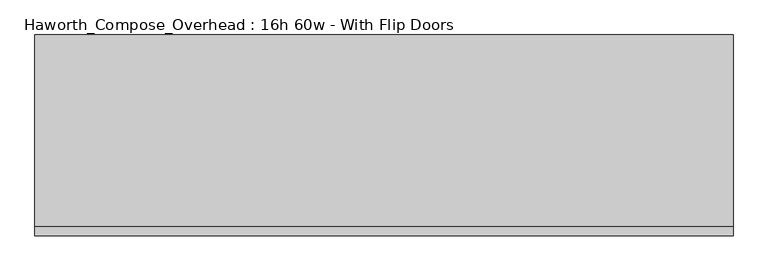
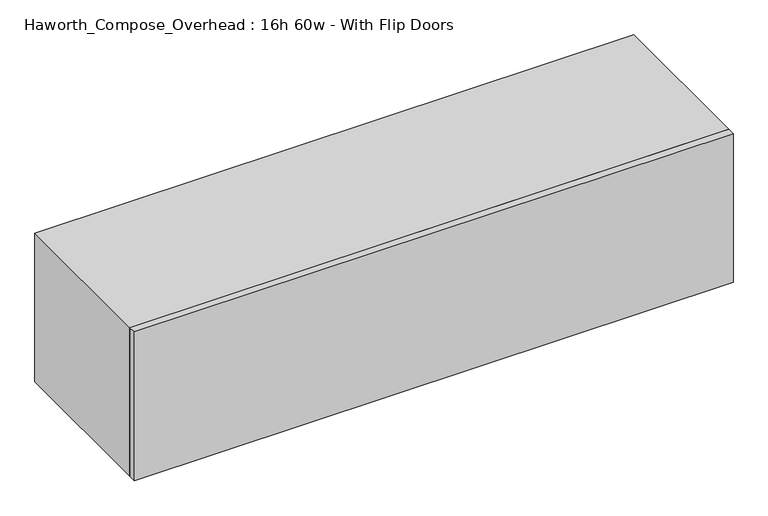
"""IFC4 building model written with IfcOpenShell, lengths in millimetres: furniture geometry, Haworth_Compose_Overhead : 16h 60w - With Flip Doors."""

import ifcopenshell
import ifcopenshell.guid

model = None  # the IFC model being written
_history = None  # IfcOwnerHistory: only IFC2X3 demands one
_inside = {}  # id of a spatial element -> (the spatial element, [elements in it])
_under = {}  # id of a project, library or spatial element -> (it, [spatial elements below it])
_declared = {}  # id of a project -> (the project, [libraries it declares])
_typed = {}  # id of a type object -> (the type object, [elements of that type])
_made_of = {}  # id of a material, layer set ... -> (it, [elements and type objects made of it])


def new_model(schema):
    """Start an empty IFC model of exactly this schema.

    Asked for "IFC4X3", IfcOpenShell would pick the latest addendum, in which some entities
    have other attributes; the version numbers below select the first issue.
    IFC2X3 requires an IfcOwnerHistory on every rooted entity: one is made here for all.
    """
    global model, _history
    if schema == "IFC4X3":
        model = ifcopenshell.file(schema_version=(4, 3, 0, 0))
    else:
        model = ifcopenshell.file(schema=schema)
    _inside.clear()
    _under.clear()
    _declared.clear()
    _typed.clear()
    _made_of.clear()
    _history = None
    if model.schema == "IFC2X3":
        org = make("IfcOrganization", Name="unknown")
        user = make(
            "IfcPersonAndOrganization",
            ThePerson=make("IfcPerson", FamilyName="unknown"),
            TheOrganization=org,
        )
        app = make(
            "IfcApplication",
            ApplicationDeveloper=org,
            Version="unknown",
            ApplicationFullName="unknown",
            ApplicationIdentifier="unknown",
        )
        _history = make(
            "IfcOwnerHistory",
            OwningUser=user,
            OwningApplication=app,
            ChangeAction="ADDED",
            CreationDate=0,
        )
    return model


def make(cls, **values):
    """One entity of the class cls with the attributes given. An attribute that is None is left unset."""
    return model.create_entity(
        cls, **{name: value for name, value in values.items() if value is not None}
    )


def rooted(cls, **values):
    """An entity with a GlobalId (a new one), such as an element, a storey or a relation."""
    return make(cls, GlobalId=ifcopenshell.guid.new(), OwnerHistory=_history, **values)


def si_unit(unit_type, name, prefix=None):
    """IfcSIUnit, for example si_unit("LENGTHUNIT", "METRE", prefix="MILLI")."""
    return make("IfcSIUnit", UnitType=unit_type, Prefix=prefix, Name=name)


def assignment(units):
    """IfcUnitAssignment: the units of a project."""
    return None if units is None else make("IfcUnitAssignment", Units=units)


def point(xyz):
    """IfcCartesianPoint."""
    return None if xyz is None else make("IfcCartesianPoint", Coordinates=xyz)


def direction(xyz):
    """IfcDirection."""
    return None if xyz is None else make("IfcDirection", DirectionRatios=xyz)


def frame(location, z_axis=None, x_axis=None):
    """IfcAxis2Placement3D, a coordinate frame: its origin and axes. An axis left out is left unset."""
    return make(
        "IfcAxis2Placement3D",
        Location=point(location),
        Axis=direction(z_axis),
        RefDirection=direction(x_axis),
    )


def origin():
    """The frame at (0, 0, 0) with its axes left unset."""
    return frame((0.0, 0.0, 0.0))


def place(relative_to, where):
    """IfcLocalPlacement: puts the frame where relative to a parent placement (None: the world)."""
    return make(
        "IfcLocalPlacement", PlacementRelTo=relative_to, RelativePlacement=where
    )


def context(
    kind, dimensions, precision=None, world=None, true_north=None, identifier=None
):
    """IfcGeometricRepresentationContext, for example the 3D "Model" context."""
    return make(
        "IfcGeometricRepresentationContext",
        ContextIdentifier=identifier,
        ContextType=kind,
        CoordinateSpaceDimension=dimensions,
        Precision=precision,
        WorldCoordinateSystem=world,
        TrueNorth=true_north,
    )


def project(units=None, contexts=None):
    """IfcProject with its units and contexts."""
    return rooted(
        "IfcProject",
        Name="project",
        RepresentationContexts=contexts,
        UnitsInContext=assignment(units),
    )


def spatial(cls, under=None, at=None, **own):
    """A site, building, storey or space (cls), placed at a placement, below another one or the project."""
    s = rooted(cls, ObjectPlacement=at, **own)
    if under is not None:
        _under.setdefault(under.id(), (under, []))[1].append(s)
    return s


def polyline(points):
    """IfcPolyline through the points."""
    return make("IfcPolyline", Points=[point(p) for p in points])


def outline(outer, holes=None, kind="AREA"):
    """IfcArbitraryClosedProfileDef: a profile drawn as a closed curve; with holes, ...WithVoids."""
    if holes is None:
        return make("IfcArbitraryClosedProfileDef", ProfileType=kind, OuterCurve=outer)
    return make(
        "IfcArbitraryProfileDefWithVoids",
        ProfileType=kind,
        OuterCurve=outer,
        InnerCurves=holes,
    )


def extrude(swept, where, along, depth):
    """IfcExtrudedAreaSolid: the profile swept, set in the frame where, extruded along a direction by depth."""
    return make(
        "IfcExtrudedAreaSolid",
        SweptArea=swept,
        Position=where,
        ExtrudedDirection=direction(along),
        Depth=depth,
    )


def shape(context_of_items, identifier, shape_type, items):
    """IfcShapeRepresentation: the items that make up one representation, for example the "Body"."""
    return make(
        "IfcShapeRepresentation",
        ContextOfItems=context_of_items,
        RepresentationIdentifier=identifier,
        RepresentationType=shape_type,
        Items=items,
    )


def source(mapping_origin, context_of_items, identifier, shape_type, items):
    """IfcRepresentationMap: a shape defined once, which mapped items show again and again."""
    return make(
        "IfcRepresentationMap",
        MappingOrigin=mapping_origin,
        MappedRepresentation=shape(context_of_items, identifier, shape_type, items),
    )


def transform(
    local_origin,
    x_axis=None,
    y_axis=None,
    z_axis=None,
    scale=None,
    scale2=None,
    scale3=None,
    uniform=True,
):
    """IfcCartesianTransformationOperator3D, or its non-uniform kind. x_axis, y_axis, z_axis: its Axis1, 2, 3."""
    if uniform:
        return make(
            "IfcCartesianTransformationOperator3D",
            Axis1=direction(x_axis),
            Axis2=direction(y_axis),
            LocalOrigin=point(local_origin),
            Scale=scale,
            Axis3=direction(z_axis),
        )
    return make(
        "IfcCartesianTransformationOperator3DnonUniform",
        Axis1=direction(x_axis),
        Axis2=direction(y_axis),
        LocalOrigin=point(local_origin),
        Scale=scale,
        Axis3=direction(z_axis),
        Scale2=scale2,
        Scale3=scale3,
    )


def mapped(mapping_source, mapping_target):
    """IfcMappedItem: shows the shape of a source again, moved by a transform."""
    return make(
        "IfcMappedItem", MappingSource=mapping_source, MappingTarget=mapping_target
    )


def made_of(thing, what):
    """Note that an element or type object is made of a material, layer set ...; save() writes the relation."""
    if what is not None:
        _made_of.setdefault(what.id(), (what, []))[1].append(thing)
    return thing


def element(
    cls,
    number,
    at=None,
    inside=None,
    cuts=None,
    type_object=None,
    material=None,
    context=None,
    identifier="Body",
    shape_type=None,
    held_by="IfcProductDefinitionShape",
    body=None,
    shapes=None,
    **own,
):
    """One element of the class cls, such as IfcWall. Its Tag is "e" and its number.

    at: its placement. inside: the storey or other place that contains it. cuts: it is an
    opening in that element (IfcRelVoidsElement). A single representation is given by context,
    identifier, shape_type and body (its items); several are given by shapes. held_by: the class
    of the entity that holds the representations. save() writes the other relations.
    """
    e = rooted(cls, Tag="e%d" % number, ObjectPlacement=at, **own)
    if body is not None:
        shapes = [shape(context, identifier, shape_type, body)]
    if shapes is not None:
        e.Representation = make(held_by, Representations=shapes)
    if inside is not None:
        _inside.setdefault(inside.id(), (inside, []))[1].append(e)
    if cuts is not None:
        rooted(
            "IfcRelVoidsElement", RelatingBuildingElement=cuts, RelatedOpeningElement=e
        )
    if type_object is not None:
        _typed.setdefault(type_object.id(), (type_object, []))[1].append(e)
    return made_of(e, material)


def aggregate(whole, parts):
    """IfcRelAggregates: a whole, such as a stair, and the parts it consists of."""
    return rooted("IfcRelAggregates", RelatingObject=whole, RelatedObjects=parts)


def save(model, path):
    """Write the relations noted so far, then the file.

    IfcRelAggregates (storeys below a building ...), IfcRelContainedInSpatialStructure (elements
    in a storey), IfcRelDefinesByType, IfcRelAssociatesMaterial and IfcRelDeclares: one each for
    every whole, place, type object, material and project.
    """
    for whole, parts in _under.values():
        aggregate(whole, parts)
    for where, things in _inside.values():
        rooted(
            "IfcRelContainedInSpatialStructure",
            RelatedElements=things,
            RelatingStructure=where,
        )
    for kind, things in _typed.values():
        rooted("IfcRelDefinesByType", RelatedObjects=things, RelatingType=kind)
    for what, things in _made_of.values():
        rooted("IfcRelAssociatesMaterial", RelatedObjects=things, RelatingMaterial=what)
    for by, libraries in _declared.values():
        rooted("IfcRelDeclares", RelatingContext=by, RelatedDefinitions=libraries)
    model.write(path)


def haworth_compose_overhead_16h_60w_with_flip_doors_80f6f15b(model_context):
    return source(origin(), model_context, "Body", "SweptSolid", [
        extrude(outline(polyline([(927.1, -438.15), (-596.9, -438.15), (-596.9, -419.1), (927.1, -419.1), (927.1, -438.15)])), frame((0.0, 0.0, 1270.0), z_axis=(0.0, 0.0, 1.0), x_axis=(1.0, 0.0, 0.0)), (0.0, 0.0, 1.0), 400.05),
        extrude(outline(polyline([(901.7, -6.35), (-571.5, -6.35), (-571.5, 0.0), (901.7, 0.0), (901.7, -6.35)])), frame((0.0, 0.0, 1295.4), z_axis=(0.0, 0.0, 1.0), x_axis=(1.0, 0.0, 0.0)), (0.0, 0.0, 1.0), 349.25),
        extrude(outline(polyline([(1270.0, 927.1), (1670.05, 927.1), (1670.05, -596.9), (1270.0, -596.9), (1270.0, 927.1)]), holes=[polyline([(1644.65, 901.7), (1295.4, 901.7), (1295.4, -571.5), (1644.65, -571.5), (1644.65, 901.7)])]), frame((0.0, -419.1, 0.0), z_axis=(0.0, 1.0, 0.0), x_axis=(0.0, 0.0, 1.0)), (0.0, 0.0, 1.0), 419.1),
    ])


if __name__ == "__main__":
    model = new_model("IFC4")
    model_context = context("Model", 3, world=origin())
    ifc_project = project(units=[si_unit("LENGTHUNIT", "METRE", prefix="MILLI")], contexts=[model_context])
    site = spatial("IfcSite", under=ifc_project)
    building = spatial("IfcBuilding", under=site)
    placement = place(None, origin())
    haworth_compose_overhead_16h_60w_with_flip_doors_shape = haworth_compose_overhead_16h_60w_with_flip_doors_80f6f15b(model_context)
    element("IfcFurniture", 1, ObjectType="Haworth_Compose_Overhead : 16h 60w - With Flip Doors", at=placement, inside=building, context=model_context, shape_type="MappedRepresentation", body=[
        mapped(haworth_compose_overhead_16h_60w_with_flip_doors_shape, transform((0.0, 0.0, 0.0), x_axis=(1.0, 0.0, 0.0), y_axis=(0.0, 1.0, 0.0), z_axis=(0.0, 0.0, 1.0))),
    ])
    save(model, "model.ifc")
